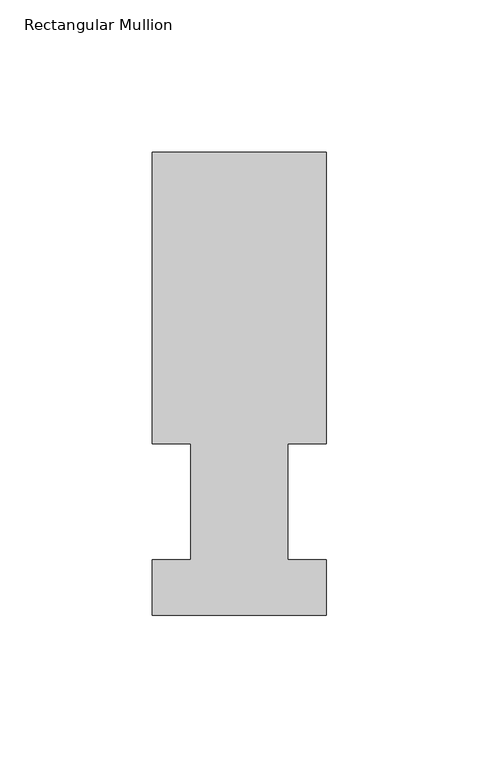
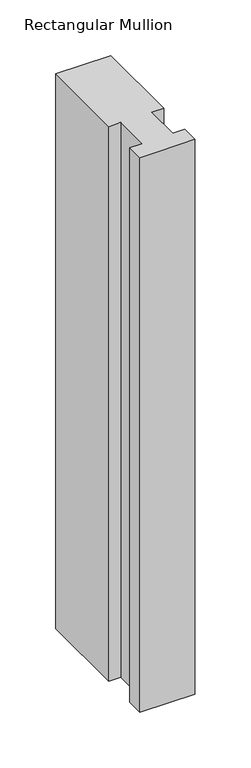
"""IFC4 building model written with IfcOpenShell, lengths in millimetres: member geometry, Rectangular Mullion."""

from ifc_helpers import new_model, si_unit, frame, origin, place, context, project, spatial, polyline, outline, extrude, source, transform, mapped, element, save


def rectangular_mullion_417faf0a(model_context):
    return source(origin(), model_context, "Body", "SweptSolid", [
        extrude(outline(polyline([(-57.15, 56.35625), (-57.15, 151.98725), (0.0, 151.98725), (0.0, 56.35625), (-12.7, 56.35625), (-12.7, 18.25625), (0.0, 18.25625), (0.0, -0.03175), (-57.15, -0.03175), (-57.15, 18.25625), (-44.45, 18.25625), (-44.45, 56.35625), (-57.15, 56.35625)])), frame((0.0, 0.0, -609.6), z_axis=(0.0, 0.0, 1.0), x_axis=(1.0, 0.0, 0.0)), (0.0, 0.0, 1.0), 609.6),
    ])


if __name__ == "__main__":
    model = new_model("IFC4")
    model_context = context("Model", 3, world=origin())
    ifc_project = project(units=[si_unit("LENGTHUNIT", "METRE", prefix="MILLI")], contexts=[model_context])
    site = spatial("IfcSite", under=ifc_project)
    building = spatial("IfcBuilding", under=site)
    placement = place(None, origin())
    rectangular_mullion_shape = rectangular_mullion_417faf0a(model_context)
    element("IfcMember", 1, ObjectType="Rectangular Mullion", at=placement, inside=building, context=model_context, shape_type="MappedRepresentation", body=[
        mapped(rectangular_mullion_shape, transform((0.0, 0.0, 0.0), x_axis=(1.0, 0.0, 0.0), y_axis=(0.0, 1.0, 0.0), z_axis=(0.0, 0.0, 1.0))),
    ])
    save(model, "model.ifc")
